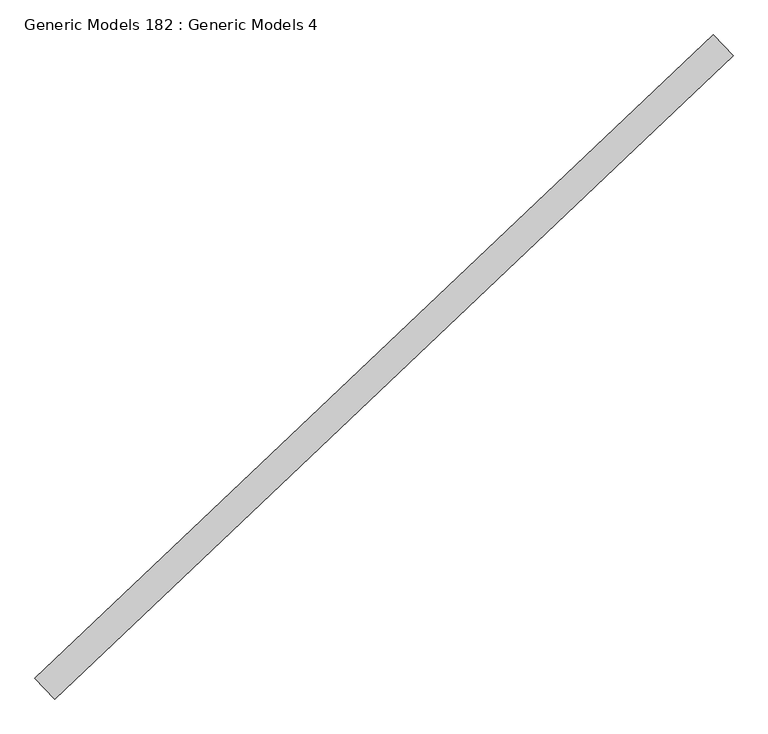
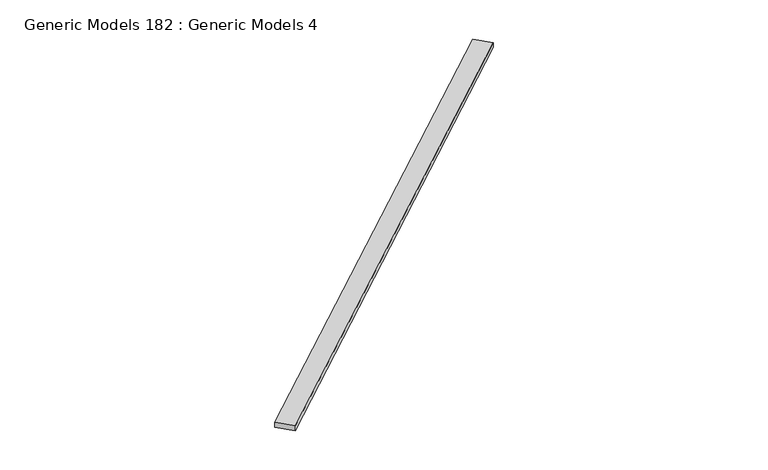
"""IFC4 building model written with IfcOpenShell, lengths in millimetres: proxy geometry, Generic Models 182 : Generic Models 4."""

from ifc_helpers import new_model, si_unit, frame, origin, place, context, project, spatial, polyline, outline, extrude, source, transform, mapped, element, save


def generic_models_182_generic_models_4_97ca3049(model_context):
    return source(origin(), model_context, "Body", "SweptSolid", [
        extrude(outline(polyline([(100165.5576421, 56875.0429319), (100069.3945079, 56976.3777315), (103355.866305, 60095.1230165), (103452.0294392, 59993.7882169), (100165.5576421, 56875.0429319)])), frame((0.0, 0.0, 17684.75), z_axis=(0.0, 0.0, 1.0), x_axis=(1.0, 0.0, 0.0)), (0.0, 0.0, 1.0), 38.1),
    ])


if __name__ == "__main__":
    model = new_model("IFC4")
    model_context = context("Model", 3, world=origin())
    ifc_project = project(units=[si_unit("LENGTHUNIT", "METRE", prefix="MILLI")], contexts=[model_context])
    site = spatial("IfcSite", under=ifc_project)
    building = spatial("IfcBuilding", under=site)
    placement = place(None, origin())
    generic_models_182_generic_models_4_shape = generic_models_182_generic_models_4_97ca3049(model_context)
    element("IfcBuildingElementProxy", 1, Name="Generic Models 182 : Generic Models 4", ObjectType="Generic Models 182 : Generic Models 4", at=placement, inside=building, context=model_context, shape_type="MappedRepresentation", body=[
        mapped(generic_models_182_generic_models_4_shape, transform((0.0, 0.0, 0.0), x_axis=(1.0, 0.0, 0.0), y_axis=(0.0, 1.0, 0.0), z_axis=(0.0, 0.0, 1.0))),
    ])
    save(model, "model.ifc")
